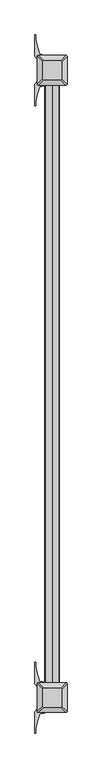
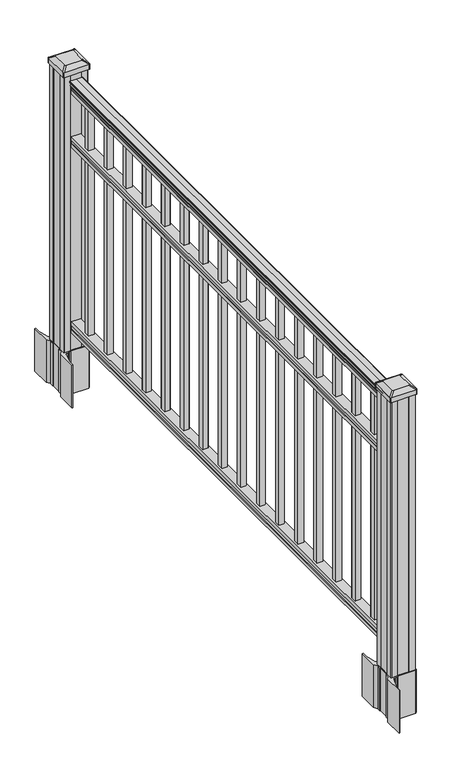
"""IFC4 building model written with IfcOpenShell, lengths in millimetres: railing geometry."""

from ifc_helpers import new_model, si_unit, point, frame, frame_2d, origin, origin_with_axes, place, context, project, spatial, polyline, circle_curve, trimmed, segment, composite_curve, outline, extrude, source, transform, mapped, element, save
from ifc_brep_helpers import plane_surface, extruded_surface, advanced_brep


def railing_3da4ae19(model_context):
    return source(origin(), model_context, "Body", "SolidModel", [
        extrude(outline(composite_curve([segment(polyline([(938.4043297, -269.9529214), (940.292412, -269.9529214)]), True, "CONTINUOUS"), segment(trimmed(circle_curve(frame_2d((946.0506383, -276.2676747)), 8.545951), [point((940.292412, -269.9529214))], [point((941.8546695, -268.8227351))], False, "CARTESIAN"), True, "CONTINUOUS"), segment(trimmed(circle_curve(frame_2d((945.4636577, -275.8306117)), 7.882584), [point((941.8546695, -268.8227351))], [point((949.0726458, -268.8227351))], False, "CARTESIAN"), True, "CONTINUOUS"), segment(trimmed(circle_curve(frame_2d((951.3112527, -265.3172876)), 4.1592695), [point((949.0726458, -268.8227351))], [point((951.5060812, -269.4719915))], True, "CARTESIAN"), True, "CONTINUOUS"), segment(trimmed(circle_curve(frame_2d((951.2508864, -264.0299811)), 5.4479907), [point((951.5060812, -269.4719915))], [point((955.8362083, -266.9719915))], True, "CARTESIAN"), True, "CONTINUOUS"), segment(trimmed(circle_curve(frame_2d((955.833395, -265.2631395)), 1.7088543), [point((955.8362083, -266.9719915))], [point((957.5157972, -265.5626491))], True, "CARTESIAN"), True, "CONTINUOUS"), segment(trimmed(circle_curve(frame_2d((958.6205318, -266.8800396)), 1.7192895), [point((957.5157972, -265.5626491))], [point((958.6205318, -265.1607501))], False, "CARTESIAN"), True, "CONTINUOUS"), segment(polyline([(958.6205318, -265.1607501), (959.9608158, -265.1607502)]), True, "CONTINUOUS"), segment(trimmed(circle_curve(frame_2d((959.9608158, -266.7141974)), 1.5534472), [point((959.9608158, -265.1607502))], [point((961.514263, -266.7141974))], False, "CARTESIAN"), True, "CONTINUOUS"), segment(polyline([(961.514263, -266.7141974), (961.514263, -287.3857502), (961.514263, -308.0573029)]), True, "CONTINUOUS"), segment(trimmed(circle_curve(frame_2d((959.9608158, -308.0573029)), 1.5534472), [point((961.514263, -308.0573029))], [point((959.9608158, -309.6107502))], False, "CARTESIAN"), True, "CONTINUOUS"), segment(polyline([(959.9608158, -309.6107502), (958.6205318, -309.6107502)]), True, "CONTINUOUS"), segment(trimmed(circle_curve(frame_2d((958.6205318, -307.8914607)), 1.7192895), [point((958.6205318, -309.6107502))], [point((957.5157972, -309.2088512))], False, "CARTESIAN"), True, "CONTINUOUS"), segment(trimmed(circle_curve(frame_2d((955.833395, -309.5083608)), 1.7088543), [point((957.5157972, -309.2088512))], [point((955.8362083, -307.7995088))], True, "CARTESIAN"), True, "CONTINUOUS"), segment(trimmed(circle_curve(frame_2d((951.2508864, -310.7415193)), 5.4479907), [point((955.8362083, -307.7995088))], [point((951.5060812, -305.2995088))], True, "CARTESIAN"), True, "CONTINUOUS"), segment(trimmed(circle_curve(frame_2d((951.3112527, -309.4542127)), 4.1592695), [point((951.5060812, -305.2995088))], [point((949.0726458, -305.9487652))], True, "CARTESIAN"), True, "CONTINUOUS"), segment(trimmed(circle_curve(frame_2d((945.4636577, -298.9408886)), 7.882584), [point((949.0726458, -305.9487652))], [point((941.8546695, -305.9487652))], False, "CARTESIAN"), True, "CONTINUOUS"), segment(trimmed(circle_curve(frame_2d((946.0506383, -298.5038256)), 8.545951), [point((941.8546695, -305.9487652))], [point((940.292412, -304.8185789))], False, "CARTESIAN"), True, "CONTINUOUS"), segment(polyline([(940.292412, -304.8185789), (938.4043297, -304.8185789)]), True, "CONTINUOUS"), segment(trimmed(circle_curve(frame_2d((938.4043297, -303.5316645)), 1.2869144), [point((938.4043297, -304.8185789))], [point((938.4043297, -302.2447502))], False, "CARTESIAN"), True, "CONTINUOUS"), segment(polyline([(938.4043297, -302.2447502), (927.9048283, -302.2447502), (926.8888283, -303.2607502), (914.4, -303.2607502), (914.4, -271.5107502), (926.731013, -271.5107502), (927.747013, -272.5267502), (938.4043297, -272.5267502)]), True, "CONTINUOUS"), segment(trimmed(circle_curve(frame_2d((938.4043297, -271.2398358)), 1.2869144), [point((938.4043297, -272.5267502))], [point((938.4043297, -269.9529214))], False, "CARTESIAN"), True, "CONTINUOUS")], self_intersect=False)), frame((0.0, -127902.9191011, 0.0), z_axis=(0.0, 1.0, 0.0), x_axis=(0.0, 0.0, 1.0)), (0.0, 0.0, 1.0), 1828.8),
        extrude(outline(polyline([(736.4541976, -271.4732633), (737.7546183, -272.4892633), (748.1141717, -272.4892633), (749.4624492, -271.4732633), (761.9958781, -271.4732633), (761.9958781, -303.2232633), (749.4458024, -303.2232633), (748.0975248, -302.2072633), (737.7858283, -302.2072633), (736.4375508, -303.2232633), (723.9, -303.2232633), (723.9, -271.4732633), (736.4541976, -271.4732633)])), frame((0.0, -127902.9191011, 0.0), z_axis=(0.0, 1.0, 0.0), x_axis=(0.0, 0.0, 1.0)), (0.0, 0.0, 1.0), 1828.8),
        extrude(outline(polyline([(76.0541976, -271.4732633), (77.3546183, -272.4892633), (87.7141717, -272.4892633), (89.0624492, -271.4732633), (101.5958781, -271.4732633), (101.5958781, -303.2232633), (89.0458024, -303.2232633), (87.6975248, -302.2072633), (77.3858283, -302.2072633), (76.0375508, -303.2232633), (63.5, -303.2232633), (63.5, -271.4732633), (76.0541976, -271.4732633)])), frame((0.0, -127902.9191011, 0.0), z_axis=(0.0, 1.0, 0.0), x_axis=(0.0, 0.0, 1.0)), (0.0, 0.0, 1.0), 1828.8),
        extrude(outline(polyline([(-277.8607502, -126162.6381011), (-296.9107502, -126162.6381011), (-296.9107502, -126143.5881011), (-277.8607502, -126143.5881011), (-277.8607502, -126162.6381011)]), holes=[polyline([(-278.2576252, -126162.2412261), (-278.2576252, -126143.9849761), (-296.5138752, -126143.9849761), (-296.5138752, -126162.2412261), (-278.2576252, -126162.2412261)])]), frame((0.0, 0.0, 101.5958781), z_axis=(0.0, 0.0, 1.0), x_axis=(1.0, 0.0, 0.0)), (0.0, 0.0, 1.0), 812.8041219),
        extrude(outline(polyline([(-277.8607502, -126273.8901011), (-296.9107502, -126273.8901011), (-296.9107502, -126254.8401011), (-277.8607502, -126254.8401011), (-277.8607502, -126273.8901011)]), holes=[polyline([(-278.2576252, -126273.4932261), (-278.2576252, -126255.2369761), (-296.5138752, -126255.2369761), (-296.5138752, -126273.4932261), (-278.2576252, -126273.4932261)])]), frame((0.0, 0.0, 101.5958781), z_axis=(0.0, 0.0, 1.0), x_axis=(1.0, 0.0, 0.0)), (0.0, 0.0, 1.0), 812.8041219),
        extrude(outline(polyline([(-277.8607502, -126385.1421011), (-296.9107502, -126385.1421011), (-296.9107502, -126366.0921011), (-277.8607502, -126366.0921011), (-277.8607502, -126385.1421011)]), holes=[polyline([(-278.2576252, -126384.7452261), (-278.2576252, -126366.4889761), (-296.5138752, -126366.4889761), (-296.5138752, -126384.7452261), (-278.2576252, -126384.7452261)])]), frame((0.0, 0.0, 101.5958781), z_axis=(0.0, 0.0, 1.0), x_axis=(1.0, 0.0, 0.0)), (0.0, 0.0, 1.0), 812.8041219),
        extrude(outline(polyline([(-277.8607502, -126496.3941011), (-296.9107502, -126496.3941011), (-296.9107502, -126477.3441011), (-277.8607502, -126477.3441011), (-277.8607502, -126496.3941011)]), holes=[polyline([(-278.2576252, -126495.9972261), (-278.2576252, -126477.7409761), (-296.5138752, -126477.7409761), (-296.5138752, -126495.9972261), (-278.2576252, -126495.9972261)])]), frame((0.0, 0.0, 101.5958781), z_axis=(0.0, 0.0, 1.0), x_axis=(1.0, 0.0, 0.0)), (0.0, 0.0, 1.0), 812.8041219),
        extrude(outline(polyline([(-277.8607502, -126607.6461011), (-296.9107502, -126607.6461011), (-296.9107502, -126588.5961011), (-277.8607502, -126588.5961011), (-277.8607502, -126607.6461011)]), holes=[polyline([(-278.2576252, -126607.2492261), (-278.2576252, -126588.9929761), (-296.5138752, -126588.9929761), (-296.5138752, -126607.2492261), (-278.2576252, -126607.2492261)])]), frame((0.0, 0.0, 101.5958781), z_axis=(0.0, 0.0, 1.0), x_axis=(1.0, 0.0, 0.0)), (0.0, 0.0, 1.0), 812.8041219),
        extrude(outline(polyline([(-277.8607502, -126718.8981011), (-296.9107502, -126718.8981011), (-296.9107502, -126699.8481011), (-277.8607502, -126699.8481011), (-277.8607502, -126718.8981011)]), holes=[polyline([(-278.2576252, -126718.5012261), (-278.2576252, -126700.2449761), (-296.5138752, -126700.2449761), (-296.5138752, -126718.5012261), (-278.2576252, -126718.5012261)])]), frame((0.0, 0.0, 101.5958781), z_axis=(0.0, 0.0, 1.0), x_axis=(1.0, 0.0, 0.0)), (0.0, 0.0, 1.0), 812.8041219),
        extrude(outline(polyline([(-277.8607502, -126830.1501011), (-296.9107502, -126830.1501011), (-296.9107502, -126811.1001011), (-277.8607502, -126811.1001011), (-277.8607502, -126830.1501011)]), holes=[polyline([(-278.2576252, -126829.7532261), (-278.2576252, -126811.4969761), (-296.5138752, -126811.4969761), (-296.5138752, -126829.7532261), (-278.2576252, -126829.7532261)])]), frame((0.0, 0.0, 101.5958781), z_axis=(0.0, 0.0, 1.0), x_axis=(1.0, 0.0, 0.0)), (0.0, 0.0, 1.0), 812.8041219),
        extrude(outline(polyline([(-277.8607502, -126941.4021011), (-296.9107502, -126941.4021011), (-296.9107502, -126922.3521011), (-277.8607502, -126922.3521011), (-277.8607502, -126941.4021011)]), holes=[polyline([(-278.2576252, -126941.0052261), (-278.2576252, -126922.7489761), (-296.5138752, -126922.7489761), (-296.5138752, -126941.0052261), (-278.2576252, -126941.0052261)])]), frame((0.0, 0.0, 101.5958781), z_axis=(0.0, 0.0, 1.0), x_axis=(1.0, 0.0, 0.0)), (0.0, 0.0, 1.0), 812.8041219),
        extrude(outline(polyline([(-277.8607502, -127052.6541011), (-296.9107502, -127052.6541011), (-296.9107502, -127033.6041011), (-277.8607502, -127033.6041011), (-277.8607502, -127052.6541011)]), holes=[polyline([(-278.2576252, -127052.2572261), (-278.2576252, -127034.0009761), (-296.5138752, -127034.0009761), (-296.5138752, -127052.2572261), (-278.2576252, -127052.2572261)])]), frame((0.0, 0.0, 101.5958781), z_axis=(0.0, 0.0, 1.0), x_axis=(1.0, 0.0, 0.0)), (0.0, 0.0, 1.0), 812.8041219),
        extrude(outline(polyline([(-277.8607502, -127163.9061011), (-296.9107502, -127163.9061011), (-296.9107502, -127144.8561011), (-277.8607502, -127144.8561011), (-277.8607502, -127163.9061011)]), holes=[polyline([(-278.2576252, -127163.5092261), (-278.2576252, -127145.2529761), (-296.5138752, -127145.2529761), (-296.5138752, -127163.5092261), (-278.2576252, -127163.5092261)])]), frame((0.0, 0.0, 101.5958781), z_axis=(0.0, 0.0, 1.0), x_axis=(1.0, 0.0, 0.0)), (0.0, 0.0, 1.0), 812.8041219),
        extrude(outline(polyline([(-277.8607502, -127275.1581011), (-296.9107502, -127275.1581011), (-296.9107502, -127256.1081011), (-277.8607502, -127256.1081011), (-277.8607502, -127275.1581011)]), holes=[polyline([(-278.2576252, -127274.7612261), (-278.2576252, -127256.5049761), (-296.5138752, -127256.5049761), (-296.5138752, -127274.7612261), (-278.2576252, -127274.7612261)])]), frame((0.0, 0.0, 101.5958781), z_axis=(0.0, 0.0, 1.0), x_axis=(1.0, 0.0, 0.0)), (0.0, 0.0, 1.0), 812.8041219),
        extrude(outline(polyline([(-277.8607502, -127386.4101011), (-296.9107502, -127386.4101011), (-296.9107502, -127367.3601011), (-277.8607502, -127367.3601011), (-277.8607502, -127386.4101011)]), holes=[polyline([(-278.2576252, -127386.0132261), (-278.2576252, -127367.7569761), (-296.5138752, -127367.7569761), (-296.5138752, -127386.0132261), (-278.2576252, -127386.0132261)])]), frame((0.0, 0.0, 101.5958781), z_axis=(0.0, 0.0, 1.0), x_axis=(1.0, 0.0, 0.0)), (0.0, 0.0, 1.0), 812.8041219),
        extrude(outline(polyline([(-277.8607502, -127497.6621011), (-296.9107502, -127497.6621011), (-296.9107502, -127478.6121011), (-277.8607502, -127478.6121011), (-277.8607502, -127497.6621011)]), holes=[polyline([(-278.2576252, -127497.2652261), (-278.2576252, -127479.0089761), (-296.5138752, -127479.0089761), (-296.5138752, -127497.2652261), (-278.2576252, -127497.2652261)])]), frame((0.0, 0.0, 101.5958781), z_axis=(0.0, 0.0, 1.0), x_axis=(1.0, 0.0, 0.0)), (0.0, 0.0, 1.0), 812.8041219),
        extrude(outline(polyline([(-277.8607502, -127608.9141011), (-296.9107502, -127608.9141011), (-296.9107502, -127589.8641011), (-277.8607502, -127589.8641011), (-277.8607502, -127608.9141011)]), holes=[polyline([(-278.2576252, -127608.5172261), (-278.2576252, -127590.2609761), (-296.5138752, -127590.2609761), (-296.5138752, -127608.5172261), (-278.2576252, -127608.5172261)])]), frame((0.0, 0.0, 101.5958781), z_axis=(0.0, 0.0, 1.0), x_axis=(1.0, 0.0, 0.0)), (0.0, 0.0, 1.0), 812.8041219),
        extrude(outline(polyline([(-277.8607502, -127720.1661011), (-296.9107502, -127720.1661011), (-296.9107502, -127701.1161011), (-277.8607502, -127701.1161011), (-277.8607502, -127720.1661011)]), holes=[polyline([(-278.2576252, -127719.7692261), (-278.2576252, -127701.5129761), (-296.5138752, -127701.5129761), (-296.5138752, -127719.7692261), (-278.2576252, -127719.7692261)])]), frame((0.0, 0.0, 101.5958781), z_axis=(0.0, 0.0, 1.0), x_axis=(1.0, 0.0, 0.0)), (0.0, 0.0, 1.0), 812.8041219),
        extrude(outline(polyline([(-277.8607502, -127831.4181011), (-296.9107502, -127831.4181011), (-296.9107502, -127812.3681011), (-277.8607502, -127812.3681011), (-277.8607502, -127831.4181011)]), holes=[polyline([(-278.2576252, -127831.0212261), (-278.2576252, -127812.7649761), (-296.5138752, -127812.7649761), (-296.5138752, -127831.0212261), (-278.2576252, -127831.0212261)])]), frame((0.0, 0.0, 101.5958781), z_axis=(0.0, 0.0, 1.0), x_axis=(1.0, 0.0, 0.0)), (0.0, 0.0, 1.0), 812.8041219),
        extrude(outline(composite_curve([segment(polyline([(-244.6502502, -126050.103196), (-243.0627502, -126050.865196), (-243.0627502, -126073.6671241), (-246.4357272, -126077.0401011), (-307.895398, -126077.0401011), (-307.895398, -126077.9608511), (-313.2129419, -126077.9608511), (-313.2129419, -126079.4151058), (-318.2974716, -126079.4151058), (-318.2974716, -126080.6991297), (-319.9647439, -126080.6991297)]), True, "CONTINUOUS"), segment(trimmed(circle_curve(frame_2d((-319.9647439, -126087.7585895)), 7.0594599), [point((-319.9647439, -126080.6991297))], [point((-326.7320067, -126085.7485828))], True, "CARTESIAN"), True, "CONTINUOUS"), segment(polyline([(-326.7320067, -126085.7485828), (-334.606201, -126112.2593119)]), True, "CONTINUOUS"), segment(trimmed(circle_curve(frame_2d((-279.8216877, -126128.5313616)), 57.15), [point((-334.606201, -126112.2593119))], [point((-336.9716877, -126128.5313616))], True, "CARTESIAN"), True, "CONTINUOUS"), segment(polyline([(-336.9716877, -126128.5313616), (-336.9716877, -126140.5401011), (-339.9716877, -126140.5401011), (-339.9716877, -126075.4526011), (-331.7087502, -126064.1143098), (-331.7087502, -126050.865196), (-330.1212502, -126050.103196), (-330.1212502, -126015.3310063), (-331.7087502, -126014.5690063), (-331.7087502, -126001.3198925), (-339.9716877, -125989.9816011), (-339.9716877, -125924.8941011), (-336.9716877, -125924.8941011), (-336.9716877, -125936.9028407)]), True, "CONTINUOUS"), segment(trimmed(circle_curve(frame_2d((-279.8216877, -125936.9028407)), 57.15), [point((-336.9716877, -125936.9028407))], [point((-334.606201, -125953.1748904))], True, "CARTESIAN"), True, "CONTINUOUS"), segment(polyline([(-334.606201, -125953.1748904), (-326.7320067, -125979.6856194)]), True, "CONTINUOUS"), segment(trimmed(circle_curve(frame_2d((-319.9647439, -125977.6756128)), 7.0594599), [point((-326.7320067, -125979.6856194))], [point((-319.9647439, -125984.7350726))], True, "CARTESIAN"), True, "CONTINUOUS"), segment(polyline([(-319.9647439, -125984.7350726), (-318.2974716, -125984.7350726), (-318.2974716, -125986.0190965), (-313.2129419, -125986.0190965), (-313.2129419, -125987.4733511), (-307.895398, -125987.4733511), (-307.895398, -125988.3941011), (-246.4357272, -125988.3941011), (-243.0627502, -125991.7670782), (-243.0627502, -126014.5690063), (-244.6502502, -126015.3310063), (-244.6502502, -126050.103196)]), True, "CONTINUOUS")], self_intersect=False), holes=[polyline([(-328.6607502, -125993.0296011), (-328.6607502, -126072.4046011), (-327.0732502, -126073.9921011), (-290.1489675, -126073.9921011), (-247.6982502, -126073.9921011), (-246.1107502, -126072.4046011), (-246.1107502, -125993.0296011), (-247.6982502, -125991.4421011), (-290.1489675, -125991.4421011), (-327.0732502, -125991.4421011), (-328.6607502, -125993.0296011)])]), frame((0.0, 0.0, -152.4), z_axis=(0.0, 0.0, 1.0), x_axis=(1.0, 0.0, 0.0)), (0.0, 0.0, 1.0), 152.4),
        advanced_brep(
        [(-313.1826252, -126061.6889761, 1012.825), (-261.5888752, -126061.6889761, 1012.825), (-258.4138752, -126058.5139761, 1012.825), (-258.4138752, -126006.9202261, 1012.825), (-261.5888752, -126003.7452261, 1012.825), (-313.1826252, -126003.7452261, 1012.825), (-316.3576252, -126006.9202261, 1012.825), (-316.3576252, -126058.5139761, 1012.825), (-329.4545002, -126077.9608511, 1001.522), (-332.6295002, -126074.7858511, 1001.522), (-332.6295002, -125990.6483511, 1001.522), (-329.4545002, -125987.4733511, 1001.522), (-245.3170002, -125987.4733511, 1001.522), (-242.1420002, -125990.6483511, 1001.522), (-242.1420002, -126074.7858511, 1001.522), (-245.3170002, -126077.9608511, 1001.522)],
        [
            (0, 1),
            (1, 2, circle_curve(frame((-261.5888752, -126058.5139761, 1012.825), z_axis=(0.0, 0.0, 1.0), x_axis=(0.0, 1.0, 0.0)), 3.175)),
            (2, 3),
            (3, 4, circle_curve(frame((-261.5888752, -126006.9202261, 1012.825), z_axis=(0.0, 0.0, 1.0), x_axis=(0.0, 1.0, 0.0)), 3.175)),
            (4, 5),
            (5, 6, circle_curve(frame((-313.1826252, -126006.9202261, 1012.825), z_axis=(0.0, 0.0, 1.0), x_axis=(0.0, 1.0, 0.0)), 3.175)),
            (6, 7),
            (7, 0, circle_curve(frame((-313.1826252, -126058.5139761, 1012.825), z_axis=(0.0, 0.0, 1.0), x_axis=(0.0, 1.0, 0.0)), 3.175)),
            (8, 9, circle_curve(frame((-329.4545002, -126074.7858511, 1001.522), z_axis=(0.0, 0.0, -1.0), x_axis=(0.0, 1.0, 0.0)), 3.175)),
            (9, 10),
            (10, 11, circle_curve(frame((-329.4545002, -125990.6483511, 1001.522), z_axis=(0.0, 0.0, -1.0), x_axis=(0.0, 1.0, 0.0)), 3.175)),
            (11, 12),
            (12, 13, circle_curve(frame((-245.3170002, -125990.6483511, 1001.522), z_axis=(0.0, 0.0, -1.0), x_axis=(0.0, 1.0, 0.0)), 3.175)),
            (13, 14),
            (14, 15, circle_curve(frame((-245.3170002, -126074.7858511, 1001.522), z_axis=(0.0, 0.0, -1.0), x_axis=(0.0, 1.0, 0.0)), 3.175)),
            (15, 8),
            (8, 0),
            (7, 9),
            (6, 10),
            (5, 11),
            (4, 12),
            (3, 13),
            (2, 14),
            (1, 15),
        ],
        [
            plane_surface(frame((-287.3857502, -126032.7171011, 1012.825), z_axis=(0.0, 0.0, 1.0), x_axis=(-1.0, 0.0, 0.0))),
            plane_surface(frame((-287.3857502, -126032.7171011, 1001.522), z_axis=(0.0, 0.0, -1.0), x_axis=(-1.0, 0.0, 0.0))),
            extruded_surface(trimmed(circle_curve(frame((-313.1826252, -126058.5139761, 1012.825), z_axis=(0.0, 0.0, -1.0), x_axis=(0.0, 1.0, 0.0)), 3.175), [point((-313.1826252, -126061.6889761, 1012.825))], [point((-316.3576252, -126058.5139761, 1012.825))], True, "CARTESIAN"), (-16.271874999999966, -16.27187499999127, -11.302999999999997), 25.6379726388606),
            plane_surface(frame((-332.6295002, -126032.7171011, 1001.522), z_axis=(-0.5705009161540779, 0.0, 0.8212969649690408), x_axis=(0.0, 1.0, 0.0))),
            extruded_surface(trimmed(circle_curve(frame((-313.1826252, -126006.9202261, 1012.825), z_axis=(0.0, 0.0, -1.0), x_axis=(0.0, 1.0, 0.0)), 3.175), [point((-316.3576252, -126006.9202261, 1012.825))], [point((-313.1826252, -126003.7452261, 1012.825))], True, "CARTESIAN"), (-16.271874999999966, 16.27187500000582, -11.302999999999997), 25.637972638869837),
            plane_surface(frame((-287.3857502, -125987.4733511, 1001.522), z_axis=(0.0, 0.5705009161540291, 0.8212969649690747), x_axis=(1.0, 0.0, 0.0))),
            extruded_surface(trimmed(circle_curve(frame((-261.5888752, -126006.9202261, 1012.825), z_axis=(0.0, 0.0, -1.0), x_axis=(0.0, 1.0, 0.0)), 3.175), [point((-261.5888752, -126003.7452261, 1012.825))], [point((-258.4138752, -126006.9202261, 1012.825))], True, "CARTESIAN"), (16.271875000000023, 16.27187500000582, -11.302999999999997), 25.637972638869872),
            plane_surface(frame((-242.1420002, -126032.7171011, 1001.522), z_axis=(0.5705009161540141, 0.0, 0.8212969649690851), x_axis=(0.0, -1.0, 0.0))),
            extruded_surface(trimmed(circle_curve(frame((-261.5888752, -126058.5139761, 1012.825), z_axis=(0.0, 0.0, -1.0), x_axis=(0.0, 1.0, 0.0)), 3.175), [point((-258.4138752, -126058.5139761, 1012.825))], [point((-261.5888752, -126061.6889761, 1012.825))], True, "CARTESIAN"), (16.271875000000023, -16.27187499999127, -11.302999999999997), 25.637972638860635),
            plane_surface(frame((-287.3857502, -126077.9608511, 1001.522), z_axis=(0.0, -0.570500916154034, 0.8212969649690713), x_axis=(-1.0, 0.0, 0.0))),
        ],
        [
            (0, [[1, 2, 3, 4, 5, 6, 7, 8]]),
            (1, [[9, 10, 11, 12, 13, 14, 15, 16]]),
            (2, [[17, -8, 18, -9]]),
            (3, [[-18, -7, 19, -10]]),
            (4, [[-19, -6, 20, -11]]),
            (5, [[-20, -5, 21, -12]]),
            (6, [[-21, -4, 22, -13]]),
            (7, [[-22, -3, 23, -14]]),
            (8, [[-23, -2, 24, -15]]),
            (9, [[-24, -1, -17, -16]]),
        ],
    ),
        extrude(outline(composite_curve([segment(trimmed(circle_curve(frame_2d((-329.4545002, -126074.7858511)), 3.175), [point((-329.4545002, -126077.9608511))], [point((-332.6295002, -126074.7858511))], False, "CARTESIAN"), True, "CONTINUOUS"), segment(polyline([(-332.6295002, -126074.7858511), (-332.6295002, -125990.6483511)]), True, "CONTINUOUS"), segment(trimmed(circle_curve(frame_2d((-329.4545002, -125990.6483511)), 3.175), [point((-332.6295002, -125990.6483511))], [point((-329.4545002, -125987.4733511))], False, "CARTESIAN"), True, "CONTINUOUS"), segment(polyline([(-329.4545002, -125987.4733511), (-245.3170002, -125987.4733511)]), True, "CONTINUOUS"), segment(trimmed(circle_curve(frame_2d((-245.3170002, -125990.6483511)), 3.175), [point((-245.3170002, -125987.4733511))], [point((-242.1420002, -125990.6483511))], False, "CARTESIAN"), True, "CONTINUOUS"), segment(polyline([(-242.1420002, -125990.6483511), (-242.1420002, -126074.7858511)]), True, "CONTINUOUS"), segment(trimmed(circle_curve(frame_2d((-245.3170002, -126074.7858511)), 3.175), [point((-242.1420002, -126074.7858511))], [point((-245.3170002, -126077.9608511))], False, "CARTESIAN"), True, "CONTINUOUS"), segment(polyline([(-245.3170002, -126077.9608511), (-329.4545002, -126077.9608511)]), True, "CONTINUOUS")], self_intersect=False)), frame((0.0, 0.0, 984.25), z_axis=(0.0, 0.0, 1.0), x_axis=(1.0, 0.0, 0.0)), (0.0, 0.0, 1.0), 17.272),
        extrude(outline(polyline([(-327.0732502, -126073.9921011), (-328.6607502, -126072.4046011), (-328.6607502, -126052.7831011), (-327.0732502, -126052.0211011), (-327.0732502, -126013.4131011), (-328.6607502, -126012.6511011), (-328.6607502, -125993.0296011), (-327.0732502, -125991.4421011), (-307.4517502, -125991.4421011), (-306.6897502, -125993.0296011), (-268.0817502, -125993.0296011), (-267.3197502, -125991.4421011), (-247.6982502, -125991.4421011), (-246.1107502, -125993.0296011), (-246.1107502, -126012.6511011), (-247.6982502, -126013.4131011), (-247.6982502, -126052.0211011), (-246.1107502, -126052.7831011), (-246.1107502, -126072.4046011), (-247.6982502, -126073.9921011), (-267.3197502, -126073.9921011), (-268.0817502, -126072.4046011), (-306.6897502, -126072.4046011), (-307.4517502, -126073.9921011), (-327.0732502, -126073.9921011)])), origin_with_axes(), (0.0, 0.0, 1.0), 984.25),
        extrude(outline(composite_curve([segment(polyline([(-244.6502502, -127961.707196), (-243.0627502, -127962.469196), (-243.0627502, -127985.2711241), (-246.4357272, -127988.6441011), (-307.895398, -127988.6441011), (-307.895398, -127989.5648511), (-313.2129419, -127989.5648511), (-313.2129419, -127991.0191058), (-318.2974716, -127991.0191058), (-318.2974716, -127992.3031297), (-319.9647439, -127992.3031297)]), True, "CONTINUOUS"), segment(trimmed(circle_curve(frame_2d((-319.9647439, -127999.3625895)), 7.0594599), [point((-319.9647439, -127992.3031297))], [point((-326.7320067, -127997.3525828))], True, "CARTESIAN"), True, "CONTINUOUS"), segment(polyline([(-326.7320067, -127997.3525828), (-334.606201, -128023.8633119)]), True, "CONTINUOUS"), segment(trimmed(circle_curve(frame_2d((-279.8216877, -128040.1353616)), 57.15), [point((-334.606201, -128023.8633119))], [point((-336.9716877, -128040.1353616))], True, "CARTESIAN"), True, "CONTINUOUS"), segment(polyline([(-336.9716877, -128040.1353616), (-336.9716877, -128052.1441011), (-339.9716877, -128052.1441011), (-339.9716877, -127987.0566011), (-331.7087502, -127975.7183098), (-331.7087502, -127962.469196), (-330.1212502, -127961.707196), (-330.1212502, -127926.9350063), (-331.7087502, -127926.1730063), (-331.7087502, -127912.9238925), (-339.9716877, -127901.5856011), (-339.9716877, -127836.4981011), (-336.9716877, -127836.4981011), (-336.9716877, -127848.5068407)]), True, "CONTINUOUS"), segment(trimmed(circle_curve(frame_2d((-279.8216877, -127848.5068407)), 57.15), [point((-336.9716877, -127848.5068407))], [point((-334.606201, -127864.7788904))], True, "CARTESIAN"), True, "CONTINUOUS"), segment(polyline([(-334.606201, -127864.7788904), (-326.7320067, -127891.2896194)]), True, "CONTINUOUS"), segment(trimmed(circle_curve(frame_2d((-319.9647439, -127889.2796128)), 7.0594599), [point((-326.7320067, -127891.2896194))], [point((-319.9647439, -127896.3390726))], True, "CARTESIAN"), True, "CONTINUOUS"), segment(polyline([(-319.9647439, -127896.3390726), (-318.2974716, -127896.3390726), (-318.2974716, -127897.6230965), (-313.2129419, -127897.6230965), (-313.2129419, -127899.0773511), (-307.895398, -127899.0773511), (-307.895398, -127899.9981011), (-246.4357272, -127899.9981011), (-243.0627502, -127903.3710782), (-243.0627502, -127926.1730063), (-244.6502502, -127926.9350063), (-244.6502502, -127961.707196)]), True, "CONTINUOUS")], self_intersect=False), holes=[polyline([(-328.6607502, -127904.6336011), (-328.6607502, -127984.0086011), (-327.0732502, -127985.5961011), (-290.1489675, -127985.5961011), (-247.6982502, -127985.5961011), (-246.1107502, -127984.0086011), (-246.1107502, -127904.6336011), (-247.6982502, -127903.0461011), (-290.1489675, -127903.0461011), (-327.0732502, -127903.0461011), (-328.6607502, -127904.6336011)])]), frame((0.0, 0.0, -152.4), z_axis=(0.0, 0.0, 1.0), x_axis=(1.0, 0.0, 0.0)), (0.0, 0.0, 1.0), 152.4),
        advanced_brep(
        [(-313.1826252, -127973.2929761, 1012.825), (-261.5888752, -127973.2929761, 1012.825), (-258.4138752, -127970.1179761, 1012.825), (-258.4138752, -127918.5242261, 1012.825), (-261.5888752, -127915.3492261, 1012.825), (-313.1826252, -127915.3492261, 1012.825), (-316.3576252, -127918.5242261, 1012.825), (-316.3576252, -127970.1179761, 1012.825), (-329.4545002, -127989.5648511, 1001.522), (-332.6295002, -127986.3898511, 1001.522), (-332.6295002, -127902.2523511, 1001.522), (-329.4545002, -127899.0773511, 1001.522), (-245.3170002, -127899.0773511, 1001.522), (-242.1420002, -127902.2523511, 1001.522), (-242.1420002, -127986.3898511, 1001.522), (-245.3170002, -127989.5648511, 1001.522)],
        [
            (0, 1),
            (1, 2, circle_curve(frame((-261.5888752, -127970.1179761, 1012.825), z_axis=(0.0, 0.0, 1.0), x_axis=(0.0, 1.0, 0.0)), 3.175)),
            (2, 3),
            (3, 4, circle_curve(frame((-261.5888752, -127918.5242261, 1012.825), z_axis=(0.0, 0.0, 1.0), x_axis=(0.0, 1.0, 0.0)), 3.175)),
            (4, 5),
            (5, 6, circle_curve(frame((-313.1826252, -127918.5242261, 1012.825), z_axis=(0.0, 0.0, 1.0), x_axis=(0.0, 1.0, 0.0)), 3.175)),
            (6, 7),
            (7, 0, circle_curve(frame((-313.1826252, -127970.1179761, 1012.825), z_axis=(0.0, 0.0, 1.0), x_axis=(0.0, 1.0, 0.0)), 3.175)),
            (8, 9, circle_curve(frame((-329.4545002, -127986.3898511, 1001.522), z_axis=(0.0, 0.0, -1.0), x_axis=(0.0, 1.0, 0.0)), 3.175)),
            (9, 10),
            (10, 11, circle_curve(frame((-329.4545002, -127902.2523511, 1001.522), z_axis=(0.0, 0.0, -1.0), x_axis=(0.0, 1.0, 0.0)), 3.175)),
            (11, 12),
            (12, 13, circle_curve(frame((-245.3170002, -127902.2523511, 1001.522), z_axis=(0.0, 0.0, -1.0), x_axis=(0.0, 1.0, 0.0)), 3.175)),
            (13, 14),
            (14, 15, circle_curve(frame((-245.3170002, -127986.3898511, 1001.522), z_axis=(0.0, 0.0, -1.0), x_axis=(0.0, 1.0, 0.0)), 3.175)),
            (15, 8),
            (8, 0),
            (7, 9),
            (6, 10),
            (5, 11),
            (4, 12),
            (3, 13),
            (2, 14),
            (1, 15),
        ],
        [
            plane_surface(frame((-287.3857502, -127944.3211011, 1012.825), z_axis=(0.0, 0.0, 1.0), x_axis=(-1.0, 0.0, 0.0))),
            plane_surface(frame((-287.3857502, -127944.3211011, 1001.522), z_axis=(0.0, 0.0, -1.0), x_axis=(-1.0, 0.0, 0.0))),
            extruded_surface(trimmed(circle_curve(frame((-313.1826252, -127970.1179761, 1012.825), z_axis=(0.0, 0.0, -1.0), x_axis=(0.0, 1.0, 0.0)), 3.175), [point((-313.1826252, -127973.2929761, 1012.825))], [point((-316.3576252, -127970.1179761, 1012.825))], True, "CARTESIAN"), (-16.271874999999966, -16.27187500000582, -11.302999999999997), 25.637972638869837),
            plane_surface(frame((-332.6295002, -127944.3211011, 1001.522), z_axis=(-0.5705009161540779, 0.0, 0.8212969649690408), x_axis=(0.0, 1.0, 0.0))),
            extruded_surface(trimmed(circle_curve(frame((-313.1826252, -127918.5242261, 1012.825), z_axis=(0.0, 0.0, -1.0), x_axis=(0.0, 1.0, 0.0)), 3.175), [point((-316.3576252, -127918.5242261, 1012.825))], [point((-313.1826252, -127915.3492261, 1012.825))], True, "CARTESIAN"), (-16.271874999999966, 16.27187499999127, -11.302999999999997), 25.6379726388606),
            plane_surface(frame((-287.3857502, -127899.0773511, 1001.522), z_axis=(0.0, 0.5705009161540291, 0.8212969649690747), x_axis=(1.0, 0.0, 0.0))),
            extruded_surface(trimmed(circle_curve(frame((-261.5888752, -127918.5242261, 1012.825), z_axis=(0.0, 0.0, -1.0), x_axis=(0.0, 1.0, 0.0)), 3.175), [point((-261.5888752, -127915.3492261, 1012.825))], [point((-258.4138752, -127918.5242261, 1012.825))], True, "CARTESIAN"), (16.271875000000023, 16.27187499999127, -11.302999999999997), 25.637972638860635),
            plane_surface(frame((-242.1420002, -127944.3211011, 1001.522), z_axis=(0.5705009161540141, 0.0, 0.8212969649690851), x_axis=(0.0, -1.0, 0.0))),
            extruded_surface(trimmed(circle_curve(frame((-261.5888752, -127970.1179761, 1012.825), z_axis=(0.0, 0.0, -1.0), x_axis=(0.0, 1.0, 0.0)), 3.175), [point((-258.4138752, -127970.1179761, 1012.825))], [point((-261.5888752, -127973.2929761, 1012.825))], True, "CARTESIAN"), (16.271875000000023, -16.27187500000582, -11.302999999999997), 25.637972638869872),
            plane_surface(frame((-287.3857502, -127989.5648511, 1001.522), z_axis=(0.0, -0.570500916154034, 0.8212969649690713), x_axis=(-1.0, 0.0, 0.0))),
        ],
        [
            (0, [[1, 2, 3, 4, 5, 6, 7, 8]]),
            (1, [[9, 10, 11, 12, 13, 14, 15, 16]]),
            (2, [[17, -8, 18, -9]]),
            (3, [[-18, -7, 19, -10]]),
            (4, [[-19, -6, 20, -11]]),
            (5, [[-20, -5, 21, -12]]),
            (6, [[-21, -4, 22, -13]]),
            (7, [[-22, -3, 23, -14]]),
            (8, [[-23, -2, 24, -15]]),
            (9, [[-24, -1, -17, -16]]),
        ],
    ),
        extrude(outline(composite_curve([segment(trimmed(circle_curve(frame_2d((-329.4545002, -127986.3898511)), 3.175), [point((-329.4545002, -127989.5648511))], [point((-332.6295002, -127986.3898511))], False, "CARTESIAN"), True, "CONTINUOUS"), segment(polyline([(-332.6295002, -127986.3898511), (-332.6295002, -127902.2523511)]), True, "CONTINUOUS"), segment(trimmed(circle_curve(frame_2d((-329.4545002, -127902.2523511)), 3.175), [point((-332.6295002, -127902.2523511))], [point((-329.4545002, -127899.0773511))], False, "CARTESIAN"), True, "CONTINUOUS"), segment(polyline([(-329.4545002, -127899.0773511), (-245.3170002, -127899.0773511)]), True, "CONTINUOUS"), segment(trimmed(circle_curve(frame_2d((-245.3170002, -127902.2523511)), 3.175), [point((-245.3170002, -127899.0773511))], [point((-242.1420002, -127902.2523511))], False, "CARTESIAN"), True, "CONTINUOUS"), segment(polyline([(-242.1420002, -127902.2523511), (-242.1420002, -127986.3898511)]), True, "CONTINUOUS"), segment(trimmed(circle_curve(frame_2d((-245.3170002, -127986.3898511)), 3.175), [point((-242.1420002, -127986.3898511))], [point((-245.3170002, -127989.5648511))], False, "CARTESIAN"), True, "CONTINUOUS"), segment(polyline([(-245.3170002, -127989.5648511), (-329.4545002, -127989.5648511)]), True, "CONTINUOUS")], self_intersect=False)), frame((0.0, 0.0, 984.25), z_axis=(0.0, 0.0, 1.0), x_axis=(1.0, 0.0, 0.0)), (0.0, 0.0, 1.0), 17.272),
        extrude(outline(polyline([(-327.0732502, -127985.5961011), (-328.6607502, -127984.0086011), (-328.6607502, -127964.3871011), (-327.0732502, -127963.6251011), (-327.0732502, -127925.0171011), (-328.6607502, -127924.2551011), (-328.6607502, -127904.6336011), (-327.0732502, -127903.0461011), (-307.4517502, -127903.0461011), (-306.6897502, -127904.6336011), (-268.0817502, -127904.6336011), (-267.3197502, -127903.0461011), (-247.6982502, -127903.0461011), (-246.1107502, -127904.6336011), (-246.1107502, -127924.2551011), (-247.6982502, -127925.0171011), (-247.6982502, -127963.6251011), (-246.1107502, -127964.3871011), (-246.1107502, -127984.0086011), (-247.6982502, -127985.5961011), (-267.3197502, -127985.5961011), (-268.0817502, -127984.0086011), (-306.6897502, -127984.0086011), (-307.4517502, -127985.5961011), (-327.0732502, -127985.5961011)])), origin_with_axes(), (0.0, 0.0, 1.0), 984.25),
    ])


if __name__ == "__main__":
    model = new_model("IFC4")
    model_context = context("Model", 3, world=origin())
    ifc_project = project(units=[si_unit("LENGTHUNIT", "METRE", prefix="MILLI")], contexts=[model_context])
    site = spatial("IfcSite", under=ifc_project)
    building = spatial("IfcBuilding", under=site)
    placement = place(None, origin())
    railing_shape = railing_3da4ae19(model_context)
    element("IfcRailing", 1, at=placement, inside=building, context=model_context, shape_type="MappedRepresentation", body=[
        mapped(railing_shape, transform((0.0, 0.0, 0.0), x_axis=(1.0, 0.0, 0.0), y_axis=(0.0, 1.0, 0.0), z_axis=(0.0, 0.0, 1.0))),
    ])
    save(model, "model.ifc")
